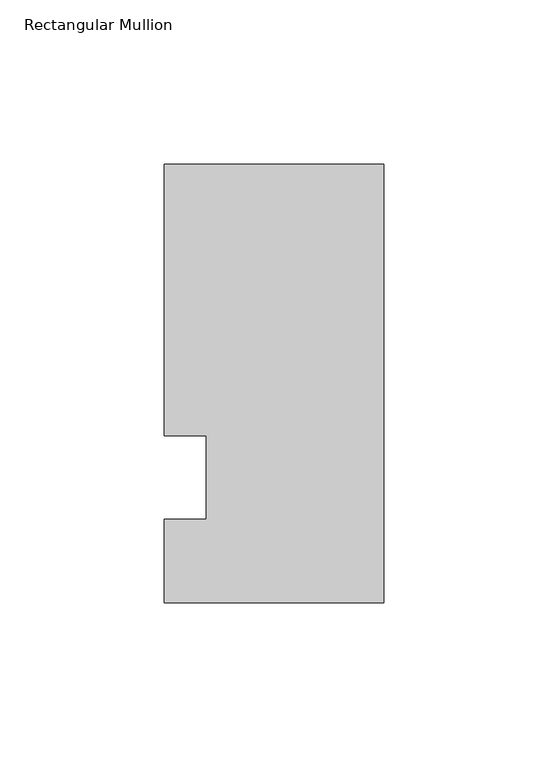
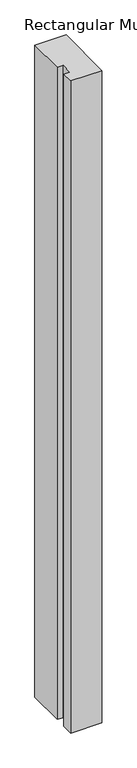
"""IFC4 building model written with IfcOpenShell, lengths in millimetres: member geometry, Rectangular Mullion."""

from ifc_helpers import new_model, si_unit, frame, origin, place, context, project, spatial, polyline, outline, extrude, source, transform, mapped, element, save


def rectangular_mullion_c383a291(model_context):
    return source(origin(), model_context, "Body", "SweptSolid", [
        extrude(outline(polyline([(-66.675, 95.25), (0.0, 95.25), (0.0, -38.1), (-66.675, -38.1), (-66.675, -12.7), (-53.975, -12.7), (-53.975, 12.7), (-66.675, 12.7), (-66.675, 95.25)])), frame((0.0, 0.0, -1478.28), z_axis=(0.0, 0.0, 1.0), x_axis=(1.0, 0.0, 0.0)), (0.0, 0.0, 1.0), 1478.28),
    ])


if __name__ == "__main__":
    model = new_model("IFC4")
    model_context = context("Model", 3, world=origin())
    ifc_project = project(units=[si_unit("LENGTHUNIT", "METRE", prefix="MILLI")], contexts=[model_context])
    site = spatial("IfcSite", under=ifc_project)
    building = spatial("IfcBuilding", under=site)
    placement = place(None, origin())
    rectangular_mullion_shape = rectangular_mullion_c383a291(model_context)
    element("IfcMember", 1, ObjectType="Rectangular Mullion", at=placement, inside=building, context=model_context, shape_type="MappedRepresentation", body=[
        mapped(rectangular_mullion_shape, transform((0.0, 0.0, 0.0), x_axis=(1.0, 0.0, 0.0), y_axis=(0.0, 1.0, 0.0), z_axis=(0.0, 0.0, 1.0))),
    ])
    save(model, "model.ifc")
